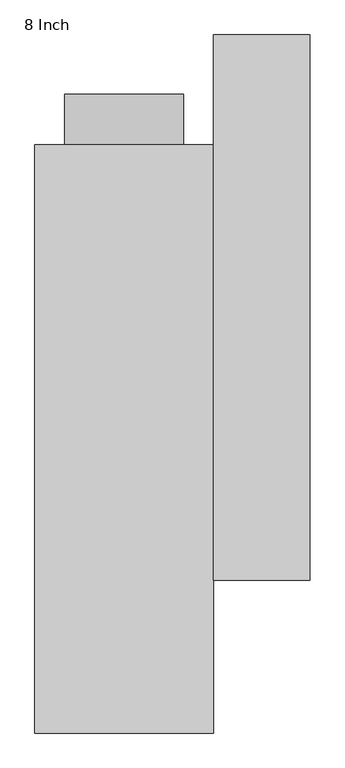
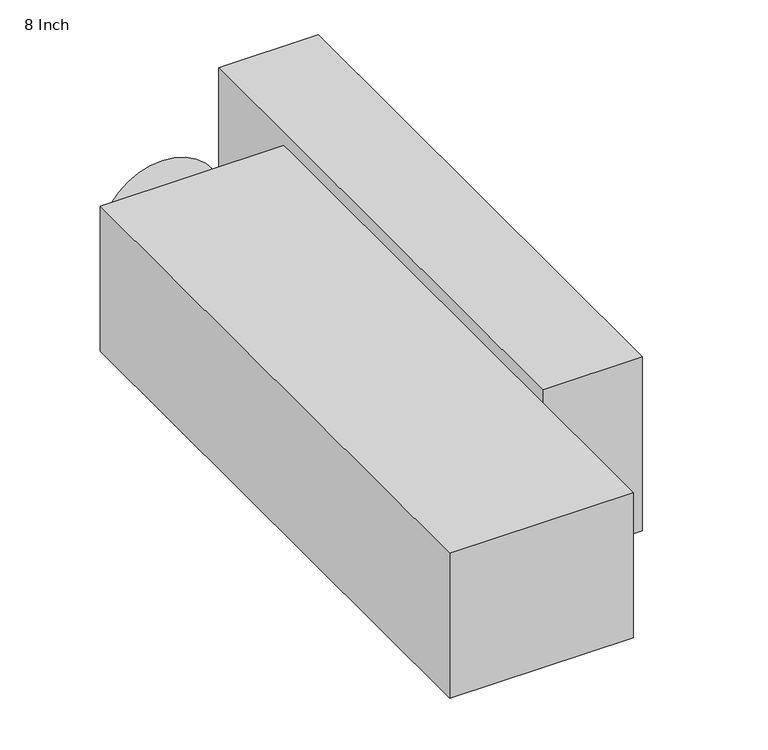
"""IFC4 building model written with IfcOpenShell, lengths in millimetres: proxy geometry, 8 Inch."""

from ifc_helpers import new_model, si_unit, point, frame, origin, origin_2d, place, context, project, spatial, polyline, circle_curve, trimmed, segment, composite_curve, outline, extrude, source, transform, mapped, element, save


def proxy_8_inch_77fe026f(model_context):
    return source(origin(), model_context, "Body", "SweptSolid", [
        extrude(outline(polyline([(152.4, -241.3), (152.4, 688.975), (317.5, 688.975), (317.5, -241.3), (152.4, -241.3)])), frame((0.0, 0.0, -155.575), z_axis=(0.0, 0.0, 1.0), x_axis=(1.0, 0.0, 0.0)), (0.0, 0.0, 1.0), 304.8),
        extrude(outline(composite_curve([segment(trimmed(circle_curve(origin_2d(), 101.6), [point((0.0, -101.6))], [point((0.0, 101.6))], False, "CARTESIAN"), True, "CONTINUOUS"), segment(trimmed(circle_curve(origin_2d(), 101.6), [point((0.0, 101.6))], [point((0.0, -101.6))], False, "CARTESIAN"), True, "CONTINUOUS")], self_intersect=False)), frame((0.0, 501.65, 0.0), z_axis=(0.0, 1.0, 0.0), x_axis=(0.0, 0.0, 1.0)), (0.0, 0.0, 1.0), 85.725),
        extrude(outline(polyline([(152.4, -501.65), (-152.4, -501.65), (-152.4, 501.65), (152.4, 501.65), (152.4, -501.65)])), frame((0.0, 0.0, -127.0), z_axis=(0.0, 0.0, 1.0), x_axis=(1.0, 0.0, 0.0)), (0.0, 0.0, 1.0), 254.0),
    ])


if __name__ == "__main__":
    model = new_model("IFC4")
    model_context = context("Model", 3, world=origin())
    ifc_project = project(units=[si_unit("LENGTHUNIT", "METRE", prefix="MILLI")], contexts=[model_context])
    site = spatial("IfcSite", under=ifc_project)
    building = spatial("IfcBuilding", under=site)
    placement = place(None, origin())
    proxy_8_inch_shape = proxy_8_inch_77fe026f(model_context)
    element("IfcBuildingElementProxy", 1, Name="8 Inch", ObjectType="8 Inch", at=placement, inside=building, context=model_context, shape_type="MappedRepresentation", body=[
        mapped(proxy_8_inch_shape, transform((0.0, 0.0, 0.0), x_axis=(1.0, 0.0, 0.0), y_axis=(0.0, 1.0, 0.0), z_axis=(0.0, 0.0, 1.0))),
    ])
    save(model, "model.ifc")
